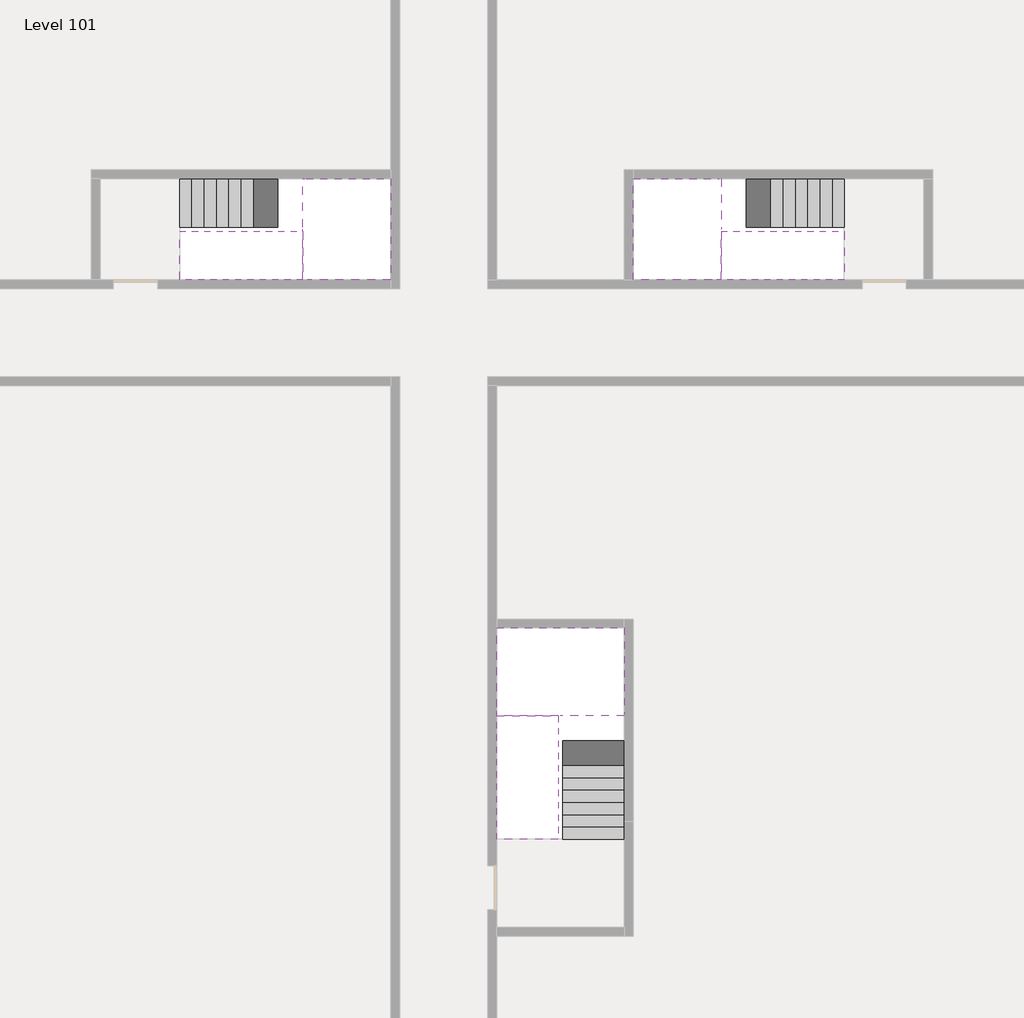
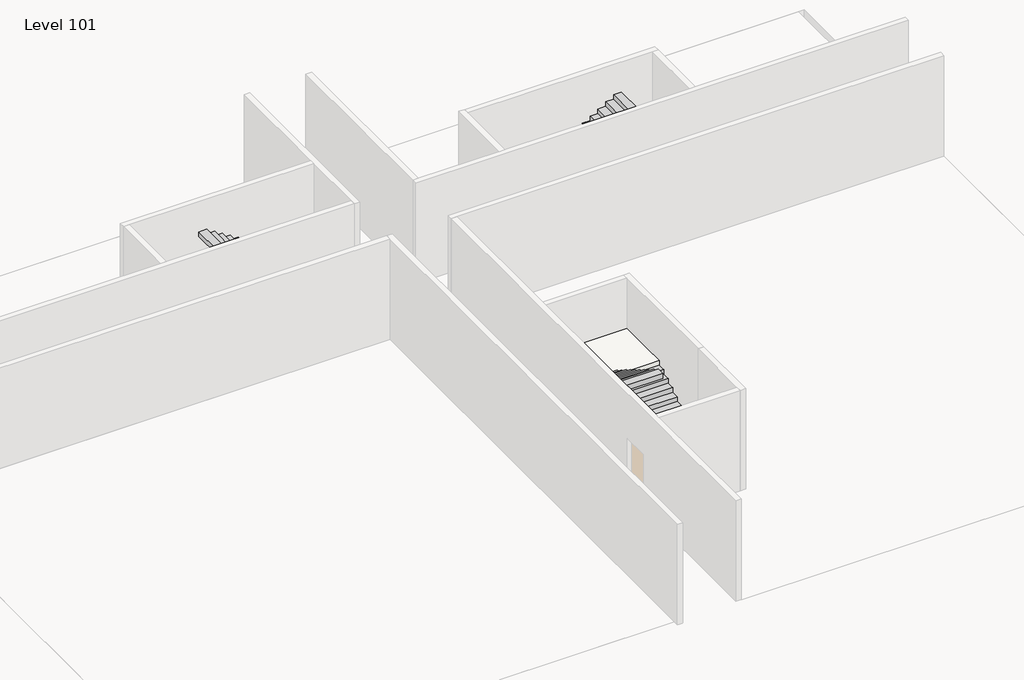
# One storey, part 2 of 2: 6 stair flights, 3 slabs.
"""IFC4 building model written with IfcOpenShell, lengths in millimetres."""

from ifc_helpers import new_model, si_unit, origin, place, context, project, spatial, faceted_brep, element, save

model = new_model("IFC4")

# Units and contexts
model_context = context("Model", 3, world=origin())
ifc_project = project(units=[si_unit("LENGTHUNIT", "METRE", prefix="MILLI")], contexts=[model_context])

# Site, building, storey
site = spatial("IfcSite", under=ifc_project)
building = spatial("IfcBuilding", under=site)
storey = spatial("IfcBuildingStorey", under=building, Name="Level 101", Elevation=380000.0)

# Slabs
placement = place(None, origin())
element("IfcSlab", 1, at=placement, inside=storey, context=model_context, shape_type="Brep", body=[
    faceted_brep([(26890.1058784, -40418.09644, 381900.0), (28290.1058784, -40418.09644, 381900.0), (28290.1058784, -40338.7100038, 381900.0), (28290.1058784, -38418.09644, 381900.0), (25390.1058784, -38418.09644, 381900.0), (25390.1058784, -40217.4828763, 381900.0), (25390.1058784, -40418.09644, 381900.0), (26790.1058784, -40418.09644, 381900.0), (26890.1058784, -40418.09644, 381600.0), (26890.1058784, -40418.09644, 381551.0278478), (28290.1058784, -40418.09644, 381551.0278478), (28290.1058784, -40418.09644, 381727.2727273), (28290.1058784, -40338.7100038, 381600.0), (28290.1058784, -38418.09644, 381600.0), (25390.1058784, -38418.09644, 381600.0), (25390.1058784, -40217.4828763, 381600.0), (25390.1058784, -40418.09644, 381723.7551205), (26790.1058784, -40418.09644, 381723.7551205), (26790.1058784, -40418.09644, 381600.0), (26790.1058784, -40217.4828763, 381600.0), (26890.1058784, -40338.7100038, 381600.0)], [[[0, 1, 2, 3, 4, 5, 6, 7]], [[1, 0, 8, 9, 10, 11]], [[1, 11, 10, 12, 13, 3, 2]], [[4, 3, 13, 14]], [[4, 14, 15, 16, 6, 5]], [[7, 6, 16, 17]], [[0, 7, 17, 18, 8]], [[18, 19, 15, 14, 13, 12, 20, 8]], [[19, 18, 17]], [[20, 12, 10, 9]], [[8, 20, 9]], [[15, 19, 17, 16]]]),
])
element("IfcSlab", 2, at=placement, inside=storey, context=model_context, shape_type="Brep", body=[
    faceted_brep([(20990.1058784, -28218.09644, 381900.0), (20990.1058784, -29318.09644, 381900.0), (20990.1058784, -29418.09644, 381900.0), (20990.1058784, -30518.09644, 381900.0), (21190.7194421, -30518.09644, 381900.0), (22990.1058784, -30518.09644, 381900.0), (22990.1058784, -28218.09644, 381900.0), (21069.4923146, -28218.09644, 381900.0), (20990.1058784, -28218.09644, 381727.2727273), (20990.1058784, -28218.09644, 381551.0278478), (20990.1058784, -29318.09644, 381551.0278478), (20990.1058784, -29318.09644, 381600.0), (20990.1058784, -29418.09644, 381600.0), (20990.1058784, -29418.09644, 381723.7551205), (20990.1058784, -30518.09644, 381723.7551205), (21190.7194421, -30518.09644, 381600.0), (22990.1058784, -30518.09644, 381600.0), (22990.1058784, -28218.09644, 381600.0), (21069.4923146, -28218.09644, 381600.0), (21190.7194421, -29418.09644, 381600.0), (21069.4923146, -29318.09644, 381600.0)], [[[0, 1, 2, 3, 4, 5, 6, 7]], [[1, 0, 8, 9, 10, 11]], [[2, 1, 11, 12, 13]], [[3, 2, 13, 14]], [[3, 14, 15, 16, 5, 4]], [[6, 5, 16, 17]], [[9, 8, 0, 7, 6, 17, 18]], [[19, 12, 11, 20, 18, 17, 16, 15]], [[12, 19, 13]], [[18, 20, 10, 9]], [[20, 11, 10]], [[19, 15, 14, 13]]]),
])
element("IfcSlab", 3, at=placement, inside=storey, context=model_context, shape_type="Brep", body=[
    faceted_brep([(30490.1058784, -29318.09644, 381900.0), (30490.1058784, -28218.09644, 381900.0), (30410.7194421, -28218.09644, 381900.0), (28490.1058784, -28218.09644, 381900.0), (28490.1058784, -30518.09644, 381900.0), (30289.4923146, -30518.09644, 381900.0), (30490.1058784, -30518.09644, 381900.0), (30490.1058784, -29418.09644, 381900.0), (30490.1058784, -29318.09644, 381600.0), (30490.1058784, -29318.09644, 381551.0278478), (30490.1058784, -28218.09644, 381551.0278478), (30490.1058784, -28218.09644, 381727.2727273), (30490.1058784, -29418.09644, 381723.7551205), (30490.1058784, -29418.09644, 381600.0), (30490.1058784, -30518.09644, 381723.7551205), (28490.1058784, -30518.09644, 381600.0), (30289.4923146, -30518.09644, 381600.0), (28490.1058784, -28218.09644, 381600.0), (30410.7194421, -28218.09644, 381600.0), (30289.4923146, -29418.09644, 381600.0), (30410.7194421, -29318.09644, 381600.0)], [[[0, 1, 2, 3, 4, 5, 6, 7]], [[1, 0, 8, 9, 10, 11]], [[0, 7, 12, 13, 8]], [[7, 6, 14, 12]], [[4, 15, 16, 14, 6, 5]], [[4, 3, 17, 15]], [[1, 11, 10, 18, 17, 3, 2]], [[13, 19, 16, 15, 17, 18, 20, 8]], [[20, 18, 10, 9]], [[8, 20, 9]], [[16, 19, 12, 14]], [[19, 13, 12]]]),
])

# Stair flights
element("IfcStairFlight", 4, at=placement, inside=storey, context=model_context, shape_type="Brep", body=[
    faceted_brep([(26890.1058784, -42938.09644, 380172.7272727), (26890.1058784, -43218.09644, 380172.7272727), (28290.1058784, -43218.09644, 380172.7272727), (28290.1058784, -42938.09644, 380172.7272727), (26890.1058784, -42938.09644, 380000.0), (26890.1058784, -43218.09644, 380000.0), (28290.1058784, -43218.09644, 380000.0), (28290.1058784, -42938.09644, 380000.0), (26890.1058784, -42658.09644, 380345.4545455), (26890.1058784, -42938.09644, 380345.4545455), (28290.1058784, -42938.09644, 380345.4545455), (28290.1058784, -42658.09644, 380345.4545455), (26890.1058784, -42658.09644, 380169.209666), (26890.1058784, -42932.3942143, 380000.0), (28290.1058784, -42932.3942143, 380000.0), (28290.1058784, -42658.09644, 380169.209666), (26890.1058784, -42378.09644, 380518.1818182), (26890.1058784, -42658.09644, 380518.1818182), (28290.1058784, -42658.09644, 380518.1818182), (28290.1058784, -42378.09644, 380518.1818182), (26890.1058784, -42378.09644, 380341.9369387), (28290.1058784, -42378.09644, 380341.9369387), (26890.1058784, -42098.09644, 380690.9090909), (26890.1058784, -42378.09644, 380690.9090909), (28290.1058784, -42378.09644, 380690.9090909), (28290.1058784, -42098.09644, 380690.9090909), (26890.1058784, -42098.09644, 380514.6642114), (28290.1058784, -42098.09644, 380514.6642114), (26890.1058784, -41818.09644, 380863.6363636), (26890.1058784, -42098.09644, 380863.6363636), (28290.1058784, -42098.09644, 380863.6363636), (28290.1058784, -41818.09644, 380863.6363636), (26890.1058784, -41818.09644, 380687.3914841), (28290.1058784, -41818.09644, 380687.3914841), (26890.1058784, -41538.09644, 381036.3636364), (26890.1058784, -41818.09644, 381036.3636364), (28290.1058784, -41818.09644, 381036.3636364), (28290.1058784, -41538.09644, 381036.3636364), (26890.1058784, -41538.09644, 380860.1187569), (28290.1058784, -41538.09644, 380860.1187569), (26890.1058784, -41258.09644, 381209.0909091), (26890.1058784, -41538.09644, 381209.0909091), (28290.1058784, -41538.09644, 381209.0909091), (28290.1058784, -41258.09644, 381209.0909091), (26890.1058784, -41258.09644, 381032.8460296), (28290.1058784, -41258.09644, 381032.8460296), (26890.1058784, -40978.09644, 381381.8181818), (26890.1058784, -41258.09644, 381381.8181818), (28290.1058784, -41258.09644, 381381.8181818), (28290.1058784, -40978.09644, 381381.8181818), (26890.1058784, -40978.09644, 381205.5733023), (28290.1058784, -40978.09644, 381205.5733023), (26890.1058784, -40698.09644, 381554.5454545), (26890.1058784, -40978.09644, 381554.5454545), (28290.1058784, -40978.09644, 381554.5454545), (28290.1058784, -40698.09644, 381554.5454545), (26890.1058784, -40698.09644, 381378.3005751), (28290.1058784, -40698.09644, 381378.3005751), (26890.1058784, -40418.09644, 381727.2727273), (26890.1058784, -40698.09644, 381727.2727273), (28290.1058784, -40698.09644, 381727.2727273), (28290.1058784, -40418.09644, 381727.2727273), (26890.1058784, -40418.09644, 381600.0), (26890.1058784, -40418.09644, 381551.0278478), (28290.1058784, -40418.09644, 381551.0278478)], [[[0, 1, 2, 3]], [[1, 0, 4, 5]], [[2, 1, 5, 6]], [[3, 2, 6, 7]], [[8, 9, 10, 11]], [[4, 0, 9, 8, 12, 13]], [[0, 3, 10, 9]], [[3, 7, 14, 15, 11, 10]], [[16, 17, 18, 19]], [[17, 16, 20, 12, 8]], [[8, 11, 18, 17]], [[19, 18, 11, 15, 21]], [[22, 23, 24, 25]], [[23, 22, 26, 20, 16]], [[16, 19, 24, 23]], [[25, 24, 19, 21, 27]], [[28, 29, 30, 31]], [[29, 28, 32, 26, 22]], [[22, 25, 30, 29]], [[31, 30, 25, 27, 33]], [[34, 35, 36, 37]], [[35, 34, 38, 32, 28]], [[28, 31, 36, 35]], [[37, 36, 31, 33, 39]], [[40, 41, 42, 43]], [[41, 40, 44, 38, 34]], [[34, 37, 42, 41]], [[43, 42, 37, 39, 45]], [[46, 47, 48, 49]], [[47, 46, 50, 44, 40]], [[40, 43, 48, 47]], [[49, 48, 43, 45, 51]], [[52, 53, 54, 55]], [[53, 52, 56, 50, 46]], [[46, 49, 54, 53]], [[55, 54, 49, 51, 57]], [[58, 59, 60, 61]], [[59, 58, 62, 63, 56, 52]], [[52, 55, 60, 59]], [[61, 60, 55, 57, 64]], [[58, 61, 64, 63, 62]], [[5, 4, 13, 14, 7, 6]], [[14, 13, 12, 20, 26, 32, 38, 44, 50, 56, 63, 64, 57, 51, 45, 39, 33, 27, 21, 15]]]),
])
element("IfcStairFlight", 5, at=placement, inside=storey, context=model_context, shape_type="Brep", body=[
    faceted_brep([(26790.1058784, -40698.09644, 382072.7272727), (26790.1058784, -40418.09644, 382072.7272727), (25390.1058784, -40418.09644, 382072.7272727), (25390.1058784, -40698.09644, 382072.7272727), (26790.1058784, -40698.09644, 381896.4823932), (26790.1058784, -40418.09644, 381723.7551205), (25390.1058784, -40418.09644, 381723.7551205), (25390.1058784, -40418.09644, 381900.0), (25390.1058784, -40698.09644, 381896.4823932), (26790.1058784, -40978.09644, 382245.4545455), (26790.1058784, -40698.09644, 382245.4545455), (25390.1058784, -40698.09644, 382245.4545455), (25390.1058784, -40978.09644, 382245.4545455), (26790.1058784, -40978.09644, 382069.209666), (25390.1058784, -40978.09644, 382069.209666), (26790.1058784, -41258.09644, 382418.1818182), (26790.1058784, -40978.09644, 382418.1818182), (25390.1058784, -40978.09644, 382418.1818182), (25390.1058784, -41258.09644, 382418.1818182), (26790.1058784, -41258.09644, 382241.9369387), (25390.1058784, -41258.09644, 382241.9369387), (26790.1058784, -41538.09644, 382590.9090909), (26790.1058784, -41258.09644, 382590.9090909), (25390.1058784, -41258.09644, 382590.9090909), (25390.1058784, -41538.09644, 382590.9090909), (26790.1058784, -41538.09644, 382414.6642114), (25390.1058784, -41538.09644, 382414.6642114), (26790.1058784, -41818.09644, 382763.6363636), (26790.1058784, -41538.09644, 382763.6363636), (25390.1058784, -41538.09644, 382763.6363636), (25390.1058784, -41818.09644, 382763.6363636), (26790.1058784, -41818.09644, 382587.3914841), (25390.1058784, -41818.09644, 382587.3914841), (26790.1058784, -42098.09644, 382936.3636364), (26790.1058784, -41818.09644, 382936.3636364), (25390.1058784, -41818.09644, 382936.3636364), (25390.1058784, -42098.09644, 382936.3636364), (26790.1058784, -42098.09644, 382760.1187569), (25390.1058784, -42098.09644, 382760.1187569), (26790.1058784, -42378.09644, 383109.0909091), (26790.1058784, -42098.09644, 383109.0909091), (25390.1058784, -42098.09644, 383109.0909091), (25390.1058784, -42378.09644, 383109.0909091), (26790.1058784, -42378.09644, 382932.8460296), (25390.1058784, -42378.09644, 382932.8460296), (26790.1058784, -42658.09644, 383281.8181818), (26790.1058784, -42378.09644, 383281.8181818), (25390.1058784, -42378.09644, 383281.8181818), (25390.1058784, -42658.09644, 383281.8181818), (26790.1058784, -42658.09644, 383105.5733023), (25390.1058784, -42658.09644, 383105.5733023), (26790.1058784, -42938.09644, 383454.5454545), (26790.1058784, -42658.09644, 383454.5454545), (25390.1058784, -42658.09644, 383454.5454545), (25390.1058784, -42938.09644, 383454.5454545), (26790.1058784, -42938.09644, 383278.3005751), (25390.1058784, -42938.09644, 383278.3005751), (26790.1058784, -43218.09644, 383627.2727273), (26790.1058784, -42938.09644, 383627.2727273), (25390.1058784, -42938.09644, 383627.2727273), (25390.1058784, -43218.09644, 383627.2727273), (26790.1058784, -43218.09644, 383451.0278478), (25390.1058784, -43218.09644, 383451.0278478)], [[[0, 1, 2, 3]], [[1, 0, 4, 5]], [[2, 1, 5, 6, 7]], [[3, 2, 7, 6, 8]], [[9, 10, 11, 12]], [[10, 9, 13, 4, 0]], [[11, 10, 0, 3]], [[12, 11, 3, 8, 14]], [[15, 16, 17, 18]], [[16, 15, 19, 13, 9]], [[17, 16, 9, 12]], [[18, 17, 12, 14, 20]], [[21, 22, 23, 24]], [[22, 21, 25, 19, 15]], [[23, 22, 15, 18]], [[24, 23, 18, 20, 26]], [[27, 28, 29, 30]], [[28, 27, 31, 25, 21]], [[29, 28, 21, 24]], [[30, 29, 24, 26, 32]], [[33, 34, 35, 36]], [[34, 33, 37, 31, 27]], [[35, 34, 27, 30]], [[36, 35, 30, 32, 38]], [[39, 40, 41, 42]], [[40, 39, 43, 37, 33]], [[41, 40, 33, 36]], [[42, 41, 36, 38, 44]], [[45, 46, 47, 48]], [[46, 45, 49, 43, 39]], [[47, 46, 39, 42]], [[48, 47, 42, 44, 50]], [[51, 52, 53, 54]], [[52, 51, 55, 49, 45]], [[53, 52, 45, 48]], [[54, 53, 48, 50, 56]], [[57, 58, 59, 60]], [[58, 57, 61, 55, 51]], [[59, 58, 51, 54]], [[60, 59, 54, 56, 62]], [[57, 60, 62, 61]], [[5, 4, 13, 19, 25, 31, 37, 43, 49, 55, 61, 62, 56, 50, 44, 38, 32, 26, 20, 14, 8, 6]]]),
])
element("IfcStairFlight", 6, at=placement, inside=storey, context=model_context, shape_type="Brep", body=[
    faceted_brep([(18470.1058784, -28218.09644, 380172.7272727), (18190.1058784, -28218.09644, 380172.7272727), (18190.1058784, -29318.09644, 380172.7272727), (18470.1058784, -29318.09644, 380172.7272727), (18470.1058784, -28218.09644, 380000.0), (18190.1058784, -28218.09644, 380000.0), (18190.1058784, -29318.09644, 380000.0), (18470.1058784, -29318.09644, 380000.0), (18750.1058784, -28218.09644, 380345.4545455), (18470.1058784, -28218.09644, 380345.4545455), (18470.1058784, -29318.09644, 380345.4545455), (18750.1058784, -29318.09644, 380345.4545455), (18750.1058784, -28218.09644, 380169.209666), (18475.8081041, -28218.09644, 380000.0), (18475.8081041, -29318.09644, 380000.0), (18750.1058784, -29318.09644, 380169.209666), (19030.1058784, -28218.09644, 380518.1818182), (18750.1058784, -28218.09644, 380518.1818182), (18750.1058784, -29318.09644, 380518.1818182), (19030.1058784, -29318.09644, 380518.1818182), (19030.1058784, -28218.09644, 380341.9369387), (19030.1058784, -29318.09644, 380341.9369387), (19310.1058784, -28218.09644, 380690.9090909), (19030.1058784, -28218.09644, 380690.9090909), (19030.1058784, -29318.09644, 380690.9090909), (19310.1058784, -29318.09644, 380690.9090909), (19310.1058784, -28218.09644, 380514.6642114), (19310.1058784, -29318.09644, 380514.6642114), (19590.1058784, -28218.09644, 380863.6363636), (19310.1058784, -28218.09644, 380863.6363636), (19310.1058784, -29318.09644, 380863.6363636), (19590.1058784, -29318.09644, 380863.6363636), (19590.1058784, -28218.09644, 380687.3914841), (19590.1058784, -29318.09644, 380687.3914841), (19870.1058784, -28218.09644, 381036.3636364), (19590.1058784, -28218.09644, 381036.3636364), (19590.1058784, -29318.09644, 381036.3636364), (19870.1058784, -29318.09644, 381036.3636364), (19870.1058784, -28218.09644, 380860.1187569), (19870.1058784, -29318.09644, 380860.1187569), (20150.1058784, -28218.09644, 381209.0909091), (19870.1058784, -28218.09644, 381209.0909091), (19870.1058784, -29318.09644, 381209.0909091), (20150.1058784, -29318.09644, 381209.0909091), (20150.1058784, -28218.09644, 381032.8460296), (20150.1058784, -29318.09644, 381032.8460296), (20430.1058784, -28218.09644, 381381.8181818), (20150.1058784, -28218.09644, 381381.8181818), (20150.1058784, -29318.09644, 381381.8181818), (20430.1058784, -29318.09644, 381381.8181818), (20430.1058784, -28218.09644, 381205.5733023), (20430.1058784, -29318.09644, 381205.5733023), (20710.1058784, -28218.09644, 381554.5454545), (20430.1058784, -28218.09644, 381554.5454545), (20430.1058784, -29318.09644, 381554.5454545), (20710.1058784, -29318.09644, 381554.5454545), (20710.1058784, -28218.09644, 381378.3005751), (20710.1058784, -29318.09644, 381378.3005751), (20990.1058784, -28218.09644, 381727.2727273), (20710.1058784, -28218.09644, 381727.2727273), (20710.1058784, -29318.09644, 381727.2727273), (20990.1058784, -29318.09644, 381727.2727273), (20990.1058784, -28218.09644, 381551.0278478), (20990.1058784, -29318.09644, 381551.0278478), (20990.1058784, -29318.09644, 381600.0)], [[[0, 1, 2, 3]], [[1, 0, 4, 5]], [[2, 1, 5, 6]], [[3, 2, 6, 7]], [[8, 9, 10, 11]], [[4, 0, 9, 8, 12, 13]], [[0, 3, 10, 9]], [[3, 7, 14, 15, 11, 10]], [[16, 17, 18, 19]], [[17, 16, 20, 12, 8]], [[8, 11, 18, 17]], [[19, 18, 11, 15, 21]], [[22, 23, 24, 25]], [[23, 22, 26, 20, 16]], [[16, 19, 24, 23]], [[25, 24, 19, 21, 27]], [[28, 29, 30, 31]], [[29, 28, 32, 26, 22]], [[22, 25, 30, 29]], [[31, 30, 25, 27, 33]], [[34, 35, 36, 37]], [[35, 34, 38, 32, 28]], [[28, 31, 36, 35]], [[37, 36, 31, 33, 39]], [[40, 41, 42, 43]], [[41, 40, 44, 38, 34]], [[34, 37, 42, 41]], [[43, 42, 37, 39, 45]], [[46, 47, 48, 49]], [[47, 46, 50, 44, 40]], [[40, 43, 48, 47]], [[49, 48, 43, 45, 51]], [[52, 53, 54, 55]], [[53, 52, 56, 50, 46]], [[46, 49, 54, 53]], [[55, 54, 49, 51, 57]], [[58, 59, 60, 61]], [[59, 58, 62, 56, 52]], [[52, 55, 60, 59]], [[61, 60, 55, 57, 63, 64]], [[58, 61, 64, 63, 62]], [[5, 4, 13, 14, 7, 6]], [[14, 13, 12, 20, 26, 32, 38, 44, 50, 56, 62, 63, 57, 51, 45, 39, 33, 27, 21, 15]]]),
])
element("IfcStairFlight", 7, at=placement, inside=storey, context=model_context, shape_type="Brep", body=[
    faceted_brep([(20710.1058784, -30518.09644, 382072.7272727), (20990.1058784, -30518.09644, 382072.7272727), (20990.1058784, -29418.09644, 382072.7272727), (20710.1058784, -29418.09644, 382072.7272727), (20710.1058784, -30518.09644, 381896.4823932), (20990.1058784, -30518.09644, 381723.7551205), (20990.1058784, -30518.09644, 381900.0), (20990.1058784, -29418.09644, 381723.7551205), (20710.1058784, -29418.09644, 381896.4823932), (20430.1058784, -30518.09644, 382245.4545455), (20710.1058784, -30518.09644, 382245.4545455), (20710.1058784, -29418.09644, 382245.4545455), (20430.1058784, -29418.09644, 382245.4545455), (20430.1058784, -30518.09644, 382069.209666), (20430.1058784, -29418.09644, 382069.209666), (20150.1058784, -30518.09644, 382418.1818182), (20430.1058784, -30518.09644, 382418.1818182), (20430.1058784, -29418.09644, 382418.1818182), (20150.1058784, -29418.09644, 382418.1818182), (20150.1058784, -30518.09644, 382241.9369387), (20150.1058784, -29418.09644, 382241.9369387), (19870.1058784, -30518.09644, 382590.9090909), (20150.1058784, -30518.09644, 382590.9090909), (20150.1058784, -29418.09644, 382590.9090909), (19870.1058784, -29418.09644, 382590.9090909), (19870.1058784, -30518.09644, 382414.6642114), (19870.1058784, -29418.09644, 382414.6642114), (19590.1058784, -30518.09644, 382763.6363636), (19870.1058784, -30518.09644, 382763.6363636), (19870.1058784, -29418.09644, 382763.6363636), (19590.1058784, -29418.09644, 382763.6363636), (19590.1058784, -30518.09644, 382587.3914841), (19590.1058784, -29418.09644, 382587.3914841), (19310.1058784, -30518.09644, 382936.3636364), (19590.1058784, -30518.09644, 382936.3636364), (19590.1058784, -29418.09644, 382936.3636364), (19310.1058784, -29418.09644, 382936.3636364), (19310.1058784, -30518.09644, 382760.1187569), (19310.1058784, -29418.09644, 382760.1187569), (19030.1058784, -30518.09644, 383109.0909091), (19310.1058784, -30518.09644, 383109.0909091), (19310.1058784, -29418.09644, 383109.0909091), (19030.1058784, -29418.09644, 383109.0909091), (19030.1058784, -30518.09644, 382932.8460296), (19030.1058784, -29418.09644, 382932.8460296), (18750.1058784, -30518.09644, 383281.8181818), (19030.1058784, -30518.09644, 383281.8181818), (19030.1058784, -29418.09644, 383281.8181818), (18750.1058784, -29418.09644, 383281.8181818), (18750.1058784, -30518.09644, 383105.5733023), (18750.1058784, -29418.09644, 383105.5733023), (18470.1058784, -30518.09644, 383454.5454545), (18750.1058784, -30518.09644, 383454.5454545), (18750.1058784, -29418.09644, 383454.5454545), (18470.1058784, -29418.09644, 383454.5454545), (18470.1058784, -30518.09644, 383278.3005751), (18470.1058784, -29418.09644, 383278.3005751), (18190.1058784, -30518.09644, 383627.2727273), (18470.1058784, -30518.09644, 383627.2727273), (18470.1058784, -29418.09644, 383627.2727273), (18190.1058784, -29418.09644, 383627.2727273), (18190.1058784, -30518.09644, 383451.0278478), (18190.1058784, -29418.09644, 383451.0278478)], [[[0, 1, 2, 3]], [[1, 0, 4, 5, 6]], [[2, 1, 6, 5, 7]], [[3, 2, 7, 8]], [[9, 10, 11, 12]], [[10, 9, 13, 4, 0]], [[11, 10, 0, 3]], [[12, 11, 3, 8, 14]], [[15, 16, 17, 18]], [[16, 15, 19, 13, 9]], [[17, 16, 9, 12]], [[18, 17, 12, 14, 20]], [[21, 22, 23, 24]], [[22, 21, 25, 19, 15]], [[23, 22, 15, 18]], [[24, 23, 18, 20, 26]], [[27, 28, 29, 30]], [[28, 27, 31, 25, 21]], [[29, 28, 21, 24]], [[30, 29, 24, 26, 32]], [[33, 34, 35, 36]], [[34, 33, 37, 31, 27]], [[35, 34, 27, 30]], [[36, 35, 30, 32, 38]], [[39, 40, 41, 42]], [[40, 39, 43, 37, 33]], [[41, 40, 33, 36]], [[42, 41, 36, 38, 44]], [[45, 46, 47, 48]], [[46, 45, 49, 43, 39]], [[47, 46, 39, 42]], [[48, 47, 42, 44, 50]], [[51, 52, 53, 54]], [[52, 51, 55, 49, 45]], [[53, 52, 45, 48]], [[54, 53, 48, 50, 56]], [[57, 58, 59, 60]], [[58, 57, 61, 55, 51]], [[59, 58, 51, 54]], [[60, 59, 54, 56, 62]], [[57, 60, 62, 61]], [[5, 4, 13, 19, 25, 31, 37, 43, 49, 55, 61, 62, 56, 50, 44, 38, 32, 26, 20, 14, 8, 7]]]),
])
element("IfcStairFlight", 8, at=placement, inside=storey, context=model_context, shape_type="Brep", body=[
    faceted_brep([(33010.1058784, -29318.09644, 380172.7272727), (33290.1058784, -29318.09644, 380172.7272727), (33290.1058784, -28218.09644, 380172.7272727), (33010.1058784, -28218.09644, 380172.7272727), (33290.1058784, -28218.09644, 380000.0), (33010.1058784, -28218.09644, 380000.0), (33290.1058784, -29318.09644, 380000.0), (33010.1058784, -29318.09644, 380000.0), (32730.1058784, -29318.09644, 380345.4545455), (33010.1058784, -29318.09644, 380345.4545455), (33010.1058784, -28218.09644, 380345.4545455), (32730.1058784, -28218.09644, 380345.4545455), (33004.4036527, -28218.09644, 380000.0), (32730.1058784, -28218.09644, 380169.209666), (32730.1058784, -29318.09644, 380169.209666), (33004.4036527, -29318.09644, 380000.0), (32450.1058784, -29318.09644, 380518.1818182), (32730.1058784, -29318.09644, 380518.1818182), (32730.1058784, -28218.09644, 380518.1818182), (32450.1058784, -28218.09644, 380518.1818182), (32450.1058784, -28218.09644, 380341.9369387), (32450.1058784, -29318.09644, 380341.9369387), (32170.1058784, -29318.09644, 380690.9090909), (32450.1058784, -29318.09644, 380690.9090909), (32450.1058784, -28218.09644, 380690.9090909), (32170.1058784, -28218.09644, 380690.9090909), (32170.1058784, -28218.09644, 380514.6642114), (32170.1058784, -29318.09644, 380514.6642114), (31890.1058784, -29318.09644, 380863.6363636), (32170.1058784, -29318.09644, 380863.6363636), (32170.1058784, -28218.09644, 380863.6363636), (31890.1058784, -28218.09644, 380863.6363636), (31890.1058784, -28218.09644, 380687.3914841), (31890.1058784, -29318.09644, 380687.3914841), (31610.1058784, -29318.09644, 381036.3636364), (31890.1058784, -29318.09644, 381036.3636364), (31890.1058784, -28218.09644, 381036.3636364), (31610.1058784, -28218.09644, 381036.3636364), (31610.1058784, -28218.09644, 380860.1187569), (31610.1058784, -29318.09644, 380860.1187569), (31330.1058784, -29318.09644, 381209.0909091), (31610.1058784, -29318.09644, 381209.0909091), (31610.1058784, -28218.09644, 381209.0909091), (31330.1058784, -28218.09644, 381209.0909091), (31330.1058784, -28218.09644, 381032.8460296), (31330.1058784, -29318.09644, 381032.8460296), (31050.1058784, -29318.09644, 381381.8181818), (31330.1058784, -29318.09644, 381381.8181818), (31330.1058784, -28218.09644, 381381.8181818), (31050.1058784, -28218.09644, 381381.8181818), (31050.1058784, -28218.09644, 381205.5733023), (31050.1058784, -29318.09644, 381205.5733023), (30770.1058784, -29318.09644, 381554.5454545), (31050.1058784, -29318.09644, 381554.5454545), (31050.1058784, -28218.09644, 381554.5454545), (30770.1058784, -28218.09644, 381554.5454545), (30770.1058784, -28218.09644, 381378.3005751), (30770.1058784, -29318.09644, 381378.3005751), (30490.1058784, -29318.09644, 381727.2727273), (30770.1058784, -29318.09644, 381727.2727273), (30770.1058784, -28218.09644, 381727.2727273), (30490.1058784, -28218.09644, 381727.2727273), (30490.1058784, -28218.09644, 381551.0278478), (30490.1058784, -29318.09644, 381600.0), (30490.1058784, -29318.09644, 381551.0278478)], [[[0, 1, 2, 3]], [[3, 2, 4, 5]], [[2, 1, 6, 4]], [[1, 0, 7, 6]], [[8, 9, 10, 11]], [[3, 5, 12, 13, 11, 10]], [[0, 3, 10, 9]], [[7, 0, 9, 8, 14, 15]], [[16, 17, 18, 19]], [[19, 18, 11, 13, 20]], [[8, 11, 18, 17]], [[17, 16, 21, 14, 8]], [[22, 23, 24, 25]], [[25, 24, 19, 20, 26]], [[16, 19, 24, 23]], [[23, 22, 27, 21, 16]], [[28, 29, 30, 31]], [[31, 30, 25, 26, 32]], [[22, 25, 30, 29]], [[29, 28, 33, 27, 22]], [[34, 35, 36, 37]], [[37, 36, 31, 32, 38]], [[28, 31, 36, 35]], [[35, 34, 39, 33, 28]], [[40, 41, 42, 43]], [[43, 42, 37, 38, 44]], [[34, 37, 42, 41]], [[41, 40, 45, 39, 34]], [[46, 47, 48, 49]], [[49, 48, 43, 44, 50]], [[40, 43, 48, 47]], [[47, 46, 51, 45, 40]], [[52, 53, 54, 55]], [[55, 54, 49, 50, 56]], [[46, 49, 54, 53]], [[53, 52, 57, 51, 46]], [[58, 59, 60, 61]], [[61, 60, 55, 56, 62]], [[52, 55, 60, 59]], [[59, 58, 63, 64, 57, 52]], [[58, 61, 62, 64, 63]], [[6, 7, 15, 12, 5, 4]], [[12, 15, 14, 21, 27, 33, 39, 45, 51, 57, 64, 62, 56, 50, 44, 38, 32, 26, 20, 13]]]),
])
element("IfcStairFlight", 9, at=placement, inside=storey, context=model_context, shape_type="Brep", body=[
    faceted_brep([(30770.1058784, -29418.09644, 382072.7272727), (30490.1058784, -29418.09644, 382072.7272727), (30490.1058784, -30518.09644, 382072.7272727), (30770.1058784, -30518.09644, 382072.7272727), (30490.1058784, -30518.09644, 381900.0), (30490.1058784, -30518.09644, 381723.7551205), (30770.1058784, -30518.09644, 381896.4823932), (30490.1058784, -29418.09644, 381723.7551205), (30770.1058784, -29418.09644, 381896.4823932), (31050.1058784, -29418.09644, 382245.4545455), (30770.1058784, -29418.09644, 382245.4545455), (30770.1058784, -30518.09644, 382245.4545455), (31050.1058784, -30518.09644, 382245.4545455), (31050.1058784, -30518.09644, 382069.209666), (31050.1058784, -29418.09644, 382069.209666), (31330.1058784, -29418.09644, 382418.1818182), (31050.1058784, -29418.09644, 382418.1818182), (31050.1058784, -30518.09644, 382418.1818182), (31330.1058784, -30518.09644, 382418.1818182), (31330.1058784, -30518.09644, 382241.9369387), (31330.1058784, -29418.09644, 382241.9369387), (31610.1058784, -29418.09644, 382590.9090909), (31330.1058784, -29418.09644, 382590.9090909), (31330.1058784, -30518.09644, 382590.9090909), (31610.1058784, -30518.09644, 382590.9090909), (31610.1058784, -30518.09644, 382414.6642114), (31610.1058784, -29418.09644, 382414.6642114), (31890.1058784, -29418.09644, 382763.6363636), (31610.1058784, -29418.09644, 382763.6363636), (31610.1058784, -30518.09644, 382763.6363636), (31890.1058784, -30518.09644, 382763.6363636), (31890.1058784, -30518.09644, 382587.3914841), (31890.1058784, -29418.09644, 382587.3914841), (32170.1058784, -29418.09644, 382936.3636364), (31890.1058784, -29418.09644, 382936.3636364), (31890.1058784, -30518.09644, 382936.3636364), (32170.1058784, -30518.09644, 382936.3636364), (32170.1058784, -30518.09644, 382760.1187569), (32170.1058784, -29418.09644, 382760.1187569), (32450.1058784, -29418.09644, 383109.0909091), (32170.1058784, -29418.09644, 383109.0909091), (32170.1058784, -30518.09644, 383109.0909091), (32450.1058784, -30518.09644, 383109.0909091), (32450.1058784, -30518.09644, 382932.8460296), (32450.1058784, -29418.09644, 382932.8460296), (32730.1058784, -29418.09644, 383281.8181818), (32450.1058784, -29418.09644, 383281.8181818), (32450.1058784, -30518.09644, 383281.8181818), (32730.1058784, -30518.09644, 383281.8181818), (32730.1058784, -30518.09644, 383105.5733023), (32730.1058784, -29418.09644, 383105.5733023), (33010.1058784, -29418.09644, 383454.5454545), (32730.1058784, -29418.09644, 383454.5454545), (32730.1058784, -30518.09644, 383454.5454545), (33010.1058784, -30518.09644, 383454.5454545), (33010.1058784, -30518.09644, 383278.3005751), (33010.1058784, -29418.09644, 383278.3005751), (33290.1058784, -29418.09644, 383627.2727273), (33010.1058784, -29418.09644, 383627.2727273), (33010.1058784, -30518.09644, 383627.2727273), (33290.1058784, -30518.09644, 383627.2727273), (33290.1058784, -30518.09644, 383451.0278478), (33290.1058784, -29418.09644, 383451.0278478)], [[[0, 1, 2, 3]], [[3, 2, 4, 5, 6]], [[2, 1, 7, 5, 4]], [[1, 0, 8, 7]], [[9, 10, 11, 12]], [[12, 11, 3, 6, 13]], [[11, 10, 0, 3]], [[10, 9, 14, 8, 0]], [[15, 16, 17, 18]], [[18, 17, 12, 13, 19]], [[17, 16, 9, 12]], [[16, 15, 20, 14, 9]], [[21, 22, 23, 24]], [[24, 23, 18, 19, 25]], [[23, 22, 15, 18]], [[22, 21, 26, 20, 15]], [[27, 28, 29, 30]], [[30, 29, 24, 25, 31]], [[29, 28, 21, 24]], [[28, 27, 32, 26, 21]], [[33, 34, 35, 36]], [[36, 35, 30, 31, 37]], [[35, 34, 27, 30]], [[34, 33, 38, 32, 27]], [[39, 40, 41, 42]], [[42, 41, 36, 37, 43]], [[41, 40, 33, 36]], [[40, 39, 44, 38, 33]], [[45, 46, 47, 48]], [[48, 47, 42, 43, 49]], [[47, 46, 39, 42]], [[46, 45, 50, 44, 39]], [[51, 52, 53, 54]], [[54, 53, 48, 49, 55]], [[53, 52, 45, 48]], [[52, 51, 56, 50, 45]], [[57, 58, 59, 60]], [[60, 59, 54, 55, 61]], [[59, 58, 51, 54]], [[58, 57, 62, 56, 51]], [[57, 60, 61, 62]], [[7, 8, 14, 20, 26, 32, 38, 44, 50, 56, 62, 61, 55, 49, 43, 37, 31, 25, 19, 13, 6, 5]]]),
])

save(model, "model.ifc")
